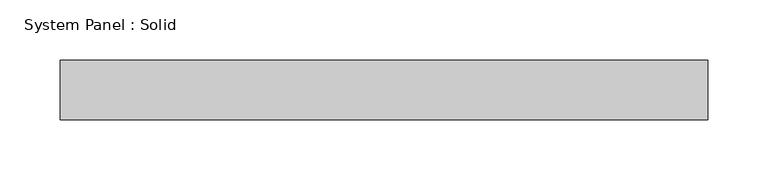
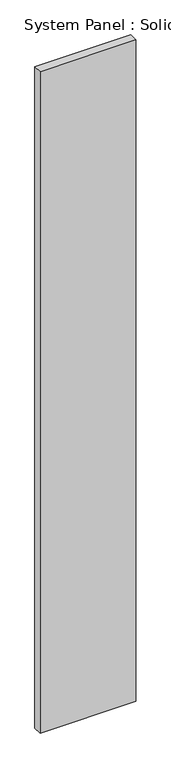
"""IFC4 building model written with IfcOpenShell, lengths in millimetres: plate geometry, System Panel : Solid."""

from ifc_helpers import new_model, si_unit, origin, origin_with_axes, place, context, project, spatial, polyline, outline, extrude, source, transform, mapped, element, save


def system_panel_solid_b20af196(model_context):
    return source(origin(), model_context, "Body", "SweptSolid", [
        extrude(outline(polyline([(269.9999998, -25.0), (-269.9999998, -25.0), (-269.9999998, 25.0), (269.9999998, 25.0), (269.9999998, -25.0)])), origin_with_axes(), (0.0, 0.0, 1.0), 3940.0),
    ])


if __name__ == "__main__":
    model = new_model("IFC4")
    model_context = context("Model", 3, world=origin())
    ifc_project = project(units=[si_unit("LENGTHUNIT", "METRE", prefix="MILLI")], contexts=[model_context])
    site = spatial("IfcSite", under=ifc_project)
    building = spatial("IfcBuilding", under=site)
    placement = place(None, origin())
    system_panel_solid_shape = system_panel_solid_b20af196(model_context)
    element("IfcPlate", 1, ObjectType="System Panel : Solid", at=placement, inside=building, context=model_context, shape_type="MappedRepresentation", body=[
        mapped(system_panel_solid_shape, transform((0.0, 0.0, 0.0), x_axis=(1.0, 0.0, 0.0), y_axis=(0.0, 1.0, 0.0), z_axis=(0.0, 0.0, 1.0))),
    ])
    save(model, "model.ifc")
